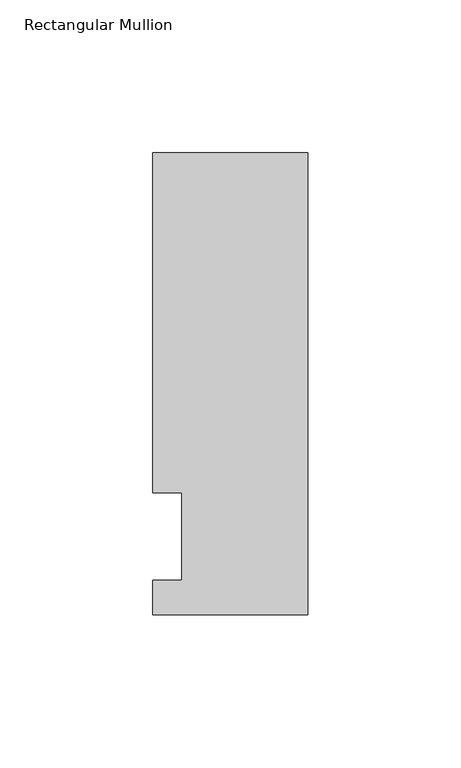
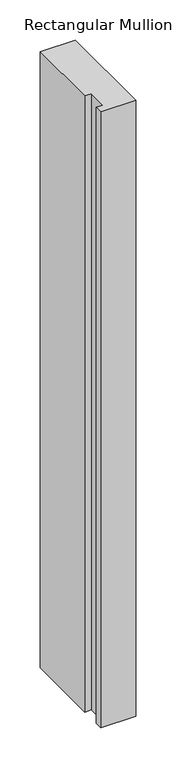
"""IFC4 building model written with IfcOpenShell, lengths in millimetres: member geometry, Rectangular Mullion."""

from ifc_helpers import new_model, si_unit, frame, origin, place, context, project, spatial, polyline, outline, extrude, source, transform, mapped, element, save


def rectangular_mullion_bf7b0f25(model_context):
    return source(origin(), model_context, "Body", "SweptSolid", [
        extrude(outline(polyline([(-50.8, -25.5984375), (-50.8, -14.2875), (-41.275, -14.2875), (-41.275, 14.2875), (-50.8, 14.2875), (-50.8, 125.6109375), (0.0, 125.6109375), (0.0, -25.5984375), (-50.8, -25.5984375)])), frame((0.0, 0.0, -939.8), z_axis=(0.0, 0.0, 1.0), x_axis=(1.0, 0.0, 0.0)), (0.0, 0.0, 1.0), 939.8),
    ])


if __name__ == "__main__":
    model = new_model("IFC4")
    model_context = context("Model", 3, world=origin())
    ifc_project = project(units=[si_unit("LENGTHUNIT", "METRE", prefix="MILLI")], contexts=[model_context])
    site = spatial("IfcSite", under=ifc_project)
    building = spatial("IfcBuilding", under=site)
    placement = place(None, origin())
    rectangular_mullion_shape = rectangular_mullion_bf7b0f25(model_context)
    element("IfcMember", 1, ObjectType="Rectangular Mullion", at=placement, inside=building, context=model_context, shape_type="MappedRepresentation", body=[
        mapped(rectangular_mullion_shape, transform((0.0, 0.0, 0.0), x_axis=(1.0, 0.0, 0.0), y_axis=(0.0, 1.0, 0.0), z_axis=(0.0, 0.0, 1.0))),
    ])
    save(model, "model.ifc")
